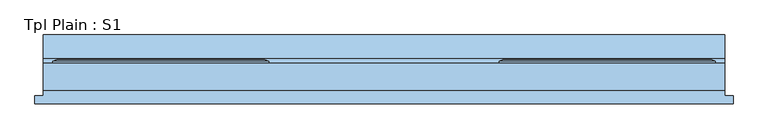
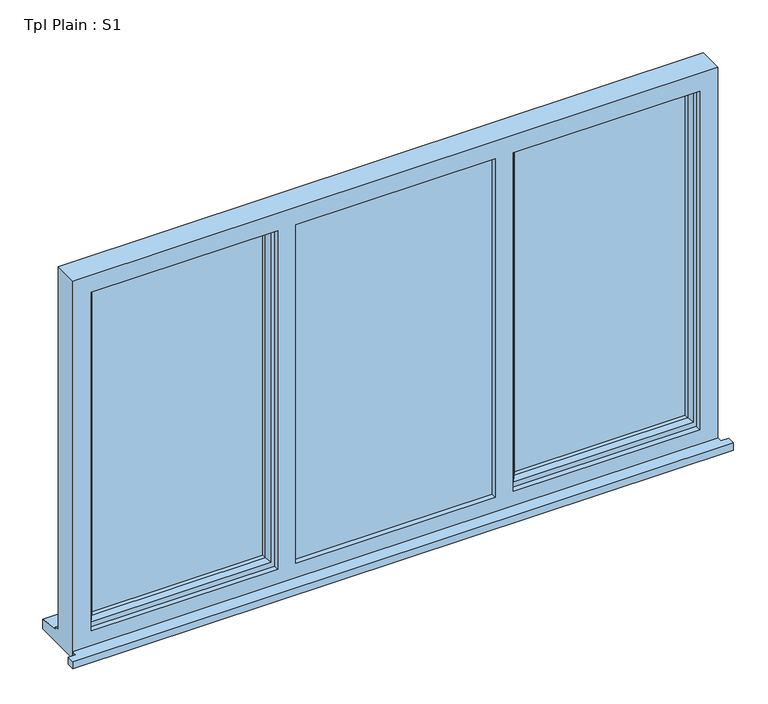
"""IFC4 building model written with IfcOpenShell, lengths in millimetres: window geometry, Tpl Plain : S1."""

from ifc_helpers import new_model, si_unit, frame, origin, place, context, project, spatial, polyline, outline, extrude, faceted_brep, source, transform, mapped, element, save


def tpl_plain_s1_1d317686(model_context):
    return source(origin(), model_context, "Body", "SolidModel", [
        extrude(outline(polyline([(-1700.0, -91.5434322), (-1700.0, -66.5434322), (-1675.0, -66.5434322), (-1675.0, -49.5434322), (425.0, -49.5434322), (425.0, -66.5434322), (450.0, -66.5434322), (450.0, -91.5434322), (-1700.0, -91.5434322)])), frame((0.0, 0.0, 810.0), z_axis=(0.0, 0.0, 1.0), x_axis=(1.0, 0.0, 0.0)), (0.0, 0.0, 1.0), 25.0),
        extrude(outline(polyline([(355.0, -2.5434322), (-230.0, -2.5434322), (-230.0, 21.4565678), (355.0, 21.4565678), (355.0, -2.5434322)])), frame((0.0, 0.0, 903.0), z_axis=(0.0, 0.0, 1.0), x_axis=(1.0, 0.0, 0.0)), (0.0, 0.0, 1.0), 1137.0),
        extrude(outline(polyline([(-960.0, -7.5434322), (-290.0, -7.5434322), (-290.0, -31.5434322), (-960.0, -31.5434322), (-960.0, -7.5434322)])), frame((0.0, 0.0, 873.0), z_axis=(0.0, 0.0, 1.0), x_axis=(1.0, 0.0, 0.0)), (0.0, 0.0, 1.0), 1197.0),
        extrude(outline(polyline([(-1020.0, -2.5434322), (-1605.0, -2.5434322), (-1605.0, 21.4565678), (-1020.0, 21.4565678), (-1020.0, -2.5434322)])), frame((0.0, 0.0, 903.0), z_axis=(0.0, 0.0, 1.0), x_axis=(1.0, 0.0, 0.0)), (0.0, 0.0, 1.0), 1137.0),
        faceted_brep([(425.0, -49.5434322, 2110.0), (-1675.0, -49.5434322, 2110.0), (-1675.0, -49.5434322, 810.0), (425.0, -49.5434322, 810.0), (365.0, -49.5434322, 2050.0), (365.0, -49.5434322, 885.0), (-242.0, -49.5434322, 885.0), (-242.0, -49.5434322, 2050.0), (-300.0, -49.5434322, 2050.0), (-300.0, -49.5434322, 885.0), (-950.0, -49.5434322, 885.0), (-950.0, -49.5434322, 2050.0), (-1008.0, -49.5434322, 2050.0), (-1008.0, -49.5434322, 885.0), (-1615.0, -49.5434322, 885.0), (-1615.0, -49.5434322, 2050.0), (-1675.0, 33.4565678, 2110.0), (-1675.0, 33.4565678, 861.0), (-1675.0, 48.4565678, 859.68767), (-1675.0, 48.4565678, 854.7449676), (-1675.0, 120.9565678, 843.8088847), (-1675.0, 120.9565678, 810.0), (425.0, 33.4565678, 2110.0), (425.0, 33.4565678, 861.0), (-1635.0, 33.4565678, 2070.0), (-1635.0, 33.4565678, 873.0), (-990.0, 33.4565678, 873.0), (-990.0, 33.4565678, 2070.0), (-950.0, 33.4565678, 2070.0), (-950.0, 33.4565678, 873.0), (-300.0, 33.4565678, 873.0), (-300.0, 33.4565678, 2070.0), (-260.0, 33.4565678, 2070.0), (-260.0, 33.4565678, 873.0), (385.0, 33.4565678, 873.0), (385.0, 33.4565678, 2070.0), (-1635.0, -31.5434322, 2070.0), (-1635.0, -31.5434322, 873.0), (-960.0, -31.5434322, 2070.0), (-290.0, -31.5434322, 2070.0), (-290.0, -31.5434322, 873.0), (-960.0, -31.5434322, 873.0), (-300.0, -31.5434322, 2050.0), (-950.0, -31.5434322, 2050.0), (-950.0, -31.5434322, 885.0), (-300.0, -31.5434322, 885.0), (-260.0, -31.5434322, 2070.0), (385.0, -31.5434322, 2070.0), (385.0, -31.5434322, 873.0), (-260.0, -31.5434322, 873.0), (365.0, -31.5434322, 2050.0), (-242.0, -31.5434322, 2050.0), (-242.0, -31.5434322, 885.0), (365.0, -31.5434322, 885.0), (-990.0, -31.5434322, 2070.0), (-990.0, -31.5434322, 873.0), (-1008.0, -31.5434322, 2050.0), (-1615.0, -31.5434322, 2050.0), (-1615.0, -31.5434322, 885.0), (-1008.0, -31.5434322, 885.0), (-950.0, -7.5434322, 2070.0), (-300.0, -7.5434322, 2070.0), (-290.0, -7.5434322, 2070.0), (-960.0, -7.5434322, 2070.0), (425.0, 120.9565678, 810.0), (425.0, 120.9565678, 843.8088847), (425.0, 48.4565678, 854.7449676), (425.0, 48.4565678, 859.68767), (-950.0, -7.5434322, 873.0), (-960.0, -7.5434322, 873.0), (-290.0, -7.5434322, 873.0), (-300.0, -7.5434322, 873.0)], [[[0, 1, 2, 3], [4, 5, 6, 7], [8, 9, 10, 11], [12, 13, 14, 15]], [[2, 1, 16, 17, 18, 19, 20, 21]], [[17, 16, 22, 23], [24, 25, 26, 27], [28, 29, 30, 31], [32, 33, 34, 35]], [[25, 24, 36, 37]], [[38, 39, 40, 41], [42, 43, 44, 45]], [[46, 47, 48, 49], [50, 51, 52, 53]], [[36, 54, 55, 37], [56, 57, 58, 59]], [[57, 15, 14, 58]], [[1, 0, 22, 16]], [[36, 24, 27, 54]], [[35, 47, 46, 32]], [[60, 28, 31, 61, 62, 39, 38, 63]], [[15, 57, 56, 12]], [[50, 4, 7, 51]], [[11, 43, 42, 8]], [[23, 22, 0, 3, 64, 65, 66, 67]], [[35, 34, 48, 47]], [[4, 50, 53, 5]], [[43, 11, 10, 44]], [[12, 56, 59, 13]], [[27, 26, 55, 54]], [[29, 28, 60, 68]], [[68, 60, 63, 69]], [[69, 63, 38, 41]], [[62, 70, 40, 39]], [[70, 62, 61, 71]], [[71, 61, 31, 30]], [[33, 32, 46, 49]], [[51, 7, 6, 52]], [[8, 42, 45, 9]], [[64, 3, 2, 21]], [[65, 64, 21, 20]], [[66, 65, 20, 19]], [[67, 66, 19, 18]], [[23, 67, 18, 17]], [[26, 25, 37, 55]], [[41, 40, 70, 71, 30, 29, 68, 69]], [[34, 33, 49, 48]], [[6, 5, 53, 52]], [[59, 58, 14, 13]], [[45, 44, 10, 9]]]),
        faceted_brep([(-980.0, 33.4565678, 2080.0), (-980.0, 39.2300705, 2080.0), (-1645.0, 39.2300705, 2080.0), (-1645.0, 33.4565678, 2080.0), (-990.0, -31.5434322, 2070.0), (-990.0, 33.4565678, 2070.0), (-1635.0, 33.4565678, 2070.0), (-1635.0, -31.5434322, 2070.0), (-1030.0, -17.0505323, 2030.0), (-1019.8519623, -31.5434322, 2040.1480377), (-1605.1480377, -31.5434322, 2040.1480377), (-1595.0, -17.0505323, 2030.0), (-1030.0, -2.5434322, 2030.0), (-1595.0, -2.5434322, 2030.0), (-1020.0, 21.4565678, 2040.0), (-1020.0, -2.5434322, 2040.0), (-1605.0, -2.5434322, 2040.0), (-1605.0, 21.4565678, 2040.0), (-1030.0, 39.2300705, 2030.0), (-1030.0, 21.4565678, 2030.0), (-1595.0, 21.4565678, 2030.0), (-1595.0, 39.2300705, 2030.0), (-1011.1854344, 45.0035732, 2048.8145656), (-1613.8145656, 45.0035732, 2048.8145656), (-991.6307806, 45.0035732, 2068.3692194), (-1633.3692194, 45.0035732, 2068.3692194), (-1645.0, 39.2300705, 863.0), (-1645.0, 33.4565678, 863.0), (-1635.0, 33.4565678, 873.0), (-1635.0, -31.5434322, 873.0), (-1605.1480377, -31.5434322, 902.8519623), (-1595.0, -17.0505323, 913.0), (-1595.0, -2.5434322, 913.0), (-1605.0, -2.5434322, 903.0), (-1605.0, 21.4565678, 903.0), (-1595.0, 21.4565678, 913.0), (-1595.0, 39.2300705, 913.0), (-1613.8145656, 45.0035732, 894.1854344), (-1633.3692194, 45.0035732, 874.6307806), (-980.0, 39.2300705, 863.0), (-980.0, 33.4565678, 863.0), (-990.0, 33.4565678, 873.0), (-990.0, -31.5434322, 873.0), (-1019.8519623, -31.5434322, 902.8519623), (-1030.0, -17.0505323, 913.0), (-1030.0, -2.5434322, 913.0), (-1020.0, -2.5434322, 903.0), (-1020.0, 21.4565678, 903.0), (-1030.0, 21.4565678, 913.0), (-1030.0, 39.2300705, 913.0), (-1011.1854344, 45.0035732, 894.1854344), (-991.6307806, 45.0035732, 874.6307806)], [[[0, 1, 2, 3]], [[4, 5, 6, 7]], [[8, 9, 10, 11]], [[12, 8, 11, 13]], [[14, 15, 16, 17]], [[18, 19, 20, 21]], [[22, 18, 21, 23]], [[1, 24, 25, 2]], [[3, 2, 26, 27]], [[7, 6, 28, 29]], [[11, 10, 30, 31]], [[13, 11, 31, 32]], [[17, 16, 33, 34]], [[21, 20, 35, 36]], [[23, 21, 36, 37]], [[2, 25, 38, 26]], [[27, 26, 39, 40]], [[0, 3, 27, 40], [41, 28, 6, 5]], [[29, 28, 41, 42]], [[4, 7, 29, 42], [43, 30, 10, 9]], [[31, 30, 43, 44]], [[32, 31, 44, 45]], [[46, 33, 16, 15], [12, 13, 32, 45]], [[34, 33, 46, 47]], [[14, 17, 34, 47], [48, 35, 20, 19]], [[36, 35, 48, 49]], [[37, 36, 49, 50]], [[51, 38, 25, 24], [22, 23, 37, 50]], [[26, 38, 51, 39]], [[40, 39, 1, 0]], [[42, 41, 5, 4]], [[44, 43, 9, 8]], [[45, 44, 8, 12]], [[47, 46, 15, 14]], [[49, 48, 19, 18]], [[50, 49, 18, 22]], [[39, 51, 24, 1]]]),
        faceted_brep([(-270.0, 33.4565678, 2080.0), (-270.0, 39.2300705, 2080.0), (-270.0, 39.2300705, 863.0), (-270.0, 33.4565678, 863.0), (-260.0, -31.5434322, 2070.0), (-260.0, 33.4565678, 2070.0), (-260.0, 33.4565678, 873.0), (-260.0, -31.5434322, 873.0), (-220.0, -17.0505323, 2030.0), (-230.1480377, -31.5434322, 2040.1480377), (-230.1480377, -31.5434322, 902.8519623), (-220.0, -17.0505323, 913.0), (-220.0, -2.5434322, 2030.0), (-220.0, -2.5434322, 913.0), (-230.0, 21.4565678, 2040.0), (-230.0, -2.5434322, 2040.0), (-230.0, -2.5434322, 903.0), (-230.0, 21.4565678, 903.0), (-220.0, 39.2300705, 2030.0), (-220.0, 21.4565678, 2030.0), (-220.0, 21.4565678, 913.0), (-220.0, 39.2300705, 913.0), (-237.4457548, 45.0035732, 2047.4457548), (-237.4457548, 45.0035732, 895.5542452), (-259.2153903, 45.0035732, 2069.2153903), (-259.2153903, 45.0035732, 873.7846097), (395.0, 39.2300705, 863.0), (395.0, 33.4565678, 863.0), (385.0, 33.4565678, 873.0), (385.0, -31.5434322, 873.0), (355.1480377, -31.5434322, 902.8519623), (345.0, -17.0505323, 913.0), (345.0, -2.5434322, 913.0), (355.0, -2.5434322, 903.0), (355.0, 21.4565678, 903.0), (345.0, 21.4565678, 913.0), (345.0, 39.2300705, 913.0), (362.4457548, 45.0035732, 895.5542452), (384.2153903, 45.0035732, 873.7846097), (395.0, 39.2300705, 2080.0), (395.0, 33.4565678, 2080.0), (385.0, 33.4565678, 2070.0), (385.0, -31.5434322, 2070.0), (355.1480377, -31.5434322, 2040.1480377), (345.0, -17.0505323, 2030.0), (345.0, -2.5434322, 2030.0), (355.0, -2.5434322, 2040.0), (355.0, 21.4565678, 2040.0), (345.0, 21.4565678, 2030.0), (345.0, 39.2300705, 2030.0), (362.4457548, 45.0035732, 2047.4457548), (384.2153903, 45.0035732, 2069.2153903)], [[[0, 1, 2, 3]], [[4, 5, 6, 7]], [[8, 9, 10, 11]], [[12, 8, 11, 13]], [[14, 15, 16, 17]], [[18, 19, 20, 21]], [[22, 18, 21, 23]], [[1, 24, 25, 2]], [[3, 2, 26, 27]], [[7, 6, 28, 29]], [[11, 10, 30, 31]], [[13, 11, 31, 32]], [[17, 16, 33, 34]], [[21, 20, 35, 36]], [[23, 21, 36, 37]], [[2, 25, 38, 26]], [[27, 26, 39, 40]], [[29, 28, 41, 42]], [[31, 30, 43, 44]], [[32, 31, 44, 45]], [[34, 33, 46, 47]], [[36, 35, 48, 49]], [[37, 36, 49, 50]], [[26, 38, 51, 39]], [[40, 39, 1, 0]], [[3, 27, 40, 0], [5, 41, 28, 6]], [[42, 41, 5, 4]], [[7, 29, 42, 4], [9, 43, 30, 10]], [[44, 43, 9, 8]], [[45, 44, 8, 12]], [[15, 46, 33, 16], [13, 32, 45, 12]], [[47, 46, 15, 14]], [[17, 34, 47, 14], [19, 48, 35, 20]], [[49, 48, 19, 18]], [[50, 49, 18, 22]], [[24, 51, 38, 25], [23, 37, 50, 22]], [[39, 51, 24, 1]]]),
    ])


if __name__ == "__main__":
    model = new_model("IFC4")
    model_context = context("Model", 3, world=origin())
    ifc_project = project(units=[si_unit("LENGTHUNIT", "METRE", prefix="MILLI")], contexts=[model_context])
    site = spatial("IfcSite", under=ifc_project)
    building = spatial("IfcBuilding", under=site)
    placement = place(None, origin())
    tpl_plain_s1_shape = tpl_plain_s1_1d317686(model_context)
    element("IfcWindow", 1, ObjectType="Tpl Plain : S1", at=placement, inside=building, context=model_context, shape_type="MappedRepresentation", body=[
        mapped(tpl_plain_s1_shape, transform((0.0, 0.0, 0.0), x_axis=(1.0, 0.0, 0.0), y_axis=(0.0, 1.0, 0.0), z_axis=(0.0, 0.0, 1.0))),
    ])
    save(model, "model.ifc")
